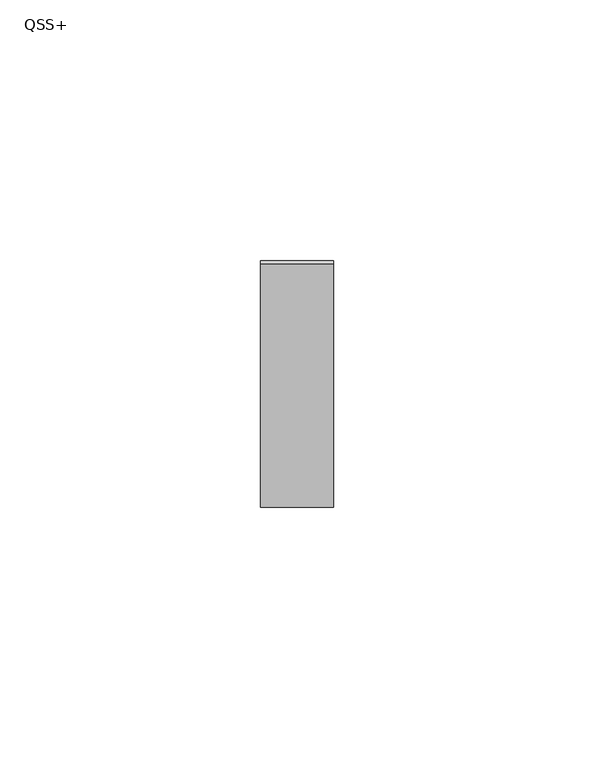
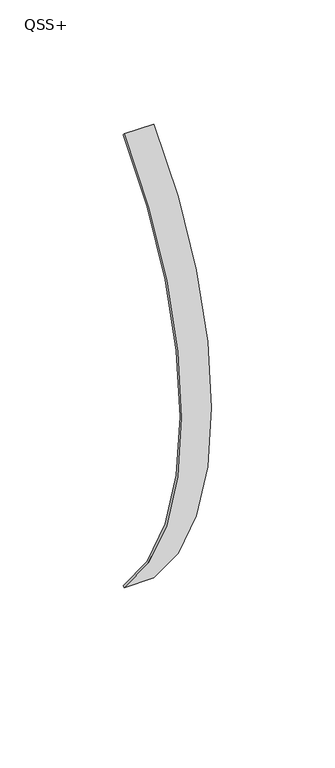
"""IFC4 building model written with IfcOpenShell, lengths in millimetres: proxy geometry, QSS+."""

from ifc_helpers import new_model, si_unit, point, frame, origin, origin_2d, place, context, project, spatial, polyline, circle_curve, trimmed, segment, composite_curve, outline, extrude, source, transform, mapped, element, save


def qss_27cf0965(model_context):
    return source(origin(), model_context, "Body", "SweptSolid", [
        extrude(outline(composite_curve([segment(trimmed(circle_curve(origin_2d(), 159.0), [point((-112.4299782, -112.4299782))], [point((-112.4299782, 112.4299782))], False, "CARTESIAN"), True, "CONTINUOUS"), segment(polyline([(-112.4299782, 112.4299782), (-111.7228714, 111.7228714)]), True, "CONTINUOUS"), segment(trimmed(circle_curve(origin_2d(), 158.0), [point((-111.7228714, 111.7228714))], [point((-111.7228714, -111.7228714))], True, "CARTESIAN"), True, "CONTINUOUS"), segment(polyline([(-111.7228714, -111.7228714), (-112.4299782, -112.4299782)]), True, "CONTINUOUS")], self_intersect=False)), frame((-7.0, 0.0, 0.0), z_axis=(1.0, 0.0, 0.0), x_axis=(0.0, 1.0, 0.0)), (0.0, 0.0, 1.0), 14.0),
    ])


if __name__ == "__main__":
    model = new_model("IFC4")
    model_context = context("Model", 3, world=origin())
    ifc_project = project(units=[si_unit("LENGTHUNIT", "METRE", prefix="MILLI")], contexts=[model_context])
    site = spatial("IfcSite", under=ifc_project)
    building = spatial("IfcBuilding", under=site)
    placement = place(None, origin())
    qss_shape = qss_27cf0965(model_context)
    element("IfcBuildingElementProxy", 1, Name="QSS+", ObjectType="QSS+", at=placement, inside=building, context=model_context, shape_type="MappedRepresentation", body=[
        mapped(qss_shape, transform((0.0, 0.0, 0.0), x_axis=(1.0, 0.0, 0.0), y_axis=(0.0, 1.0, 0.0), z_axis=(0.0, 0.0, 1.0))),
    ])
    save(model, "model.ifc")
